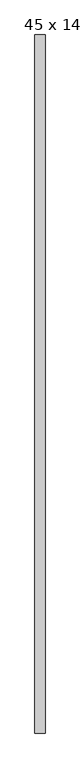
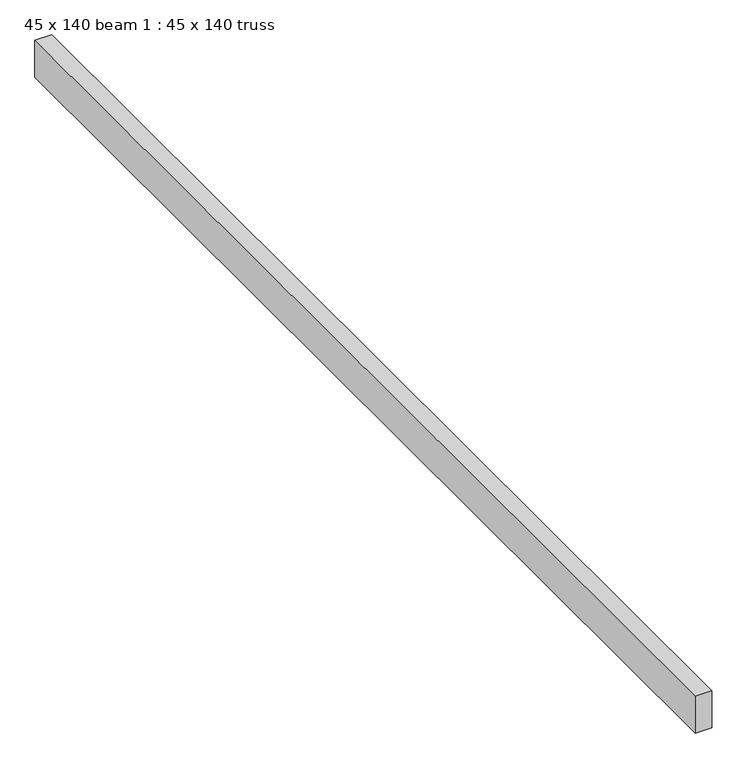
"""IFC4 building model written with IfcOpenShell, lengths in millimetres: proxy geometry, 45 x 140 beam 1 : 45 x 140 truss."""

from ifc_helpers import new_model, si_unit, frame, origin, place, context, project, spatial, polyline, outline, extrude, source, transform, mapped, element, save


def proxy_45_x_140_beam_1_45_x_140_truss_622256ae(model_context):
    return source(origin(), model_context, "Body", "SweptSolid", [
        extrude(outline(polyline([(-1197.0226803, -4545.130694), (-1242.0226803, -4545.130694), (-1242.0226803, -1455.130694), (-1197.0226803, -1455.130694), (-1197.0226803, -4545.130694)])), frame((0.0, 0.0, 3679.1177703), z_axis=(0.0, 0.0, 1.0), x_axis=(1.0, 0.0, 0.0)), (0.0, 0.0, 1.0), 105.1275103),
    ])


if __name__ == "__main__":
    model = new_model("IFC4")
    model_context = context("Model", 3, world=origin())
    ifc_project = project(units=[si_unit("LENGTHUNIT", "METRE", prefix="MILLI")], contexts=[model_context])
    site = spatial("IfcSite", under=ifc_project)
    building = spatial("IfcBuilding", under=site)
    placement = place(None, origin())
    proxy_45_x_140_beam_1_45_x_140_truss_shape = proxy_45_x_140_beam_1_45_x_140_truss_622256ae(model_context)
    element("IfcBuildingElementProxy", 1, Name="45 x 140 beam 1 : 45 x 140 truss", ObjectType="45 x 140 beam 1 : 45 x 140 truss", at=placement, inside=building, context=model_context, shape_type="MappedRepresentation", body=[
        mapped(proxy_45_x_140_beam_1_45_x_140_truss_shape, transform((0.0, 0.0, 0.0), x_axis=(1.0, 0.0, 0.0), y_axis=(0.0, 1.0, 0.0), z_axis=(0.0, 0.0, 1.0))),
    ])
    save(model, "model.ifc")
